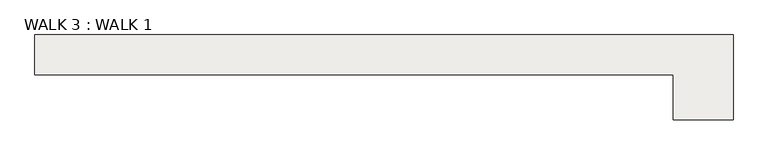
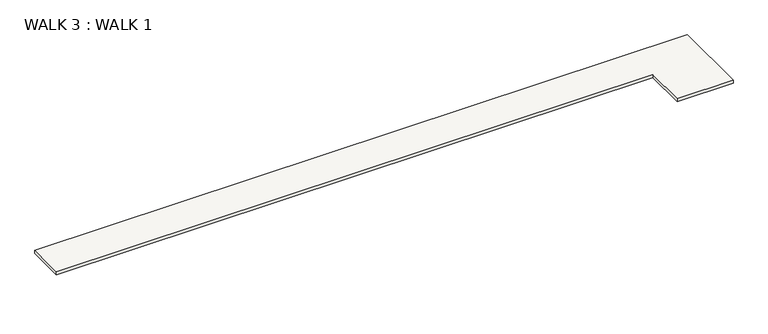
"""IFC4 building model written with IfcOpenShell, lengths in millimetres: slab geometry, WALK 3 : WALK 1."""

from ifc_helpers import new_model, si_unit, frame, origin, place, context, project, spatial, polyline, outline, extrude, source, transform, mapped, element, save


def walk_3_walk_1_14dd6b5e(model_context):
    return source(origin(), model_context, "Body", "SweptSolid", [
        extrude(outline(polyline([(341.9325037, -23029.3506192), (-9411.6674963, -23029.3506192), (-9411.6674963, -22419.7506192), (1256.3325037, -22419.7506192), (1256.3325037, -23715.1506192), (341.9325037, -23715.1506192), (341.9325037, -23029.3506192)])), frame((0.0, 0.0, 3810.0), z_axis=(0.0, 0.0, 1.0), x_axis=(1.0, 0.0, 0.0)), (0.0, 0.0, 1.0), 50.8),
    ])


if __name__ == "__main__":
    model = new_model("IFC4")
    model_context = context("Model", 3, world=origin())
    ifc_project = project(units=[si_unit("LENGTHUNIT", "METRE", prefix="MILLI")], contexts=[model_context])
    site = spatial("IfcSite", under=ifc_project)
    building = spatial("IfcBuilding", under=site)
    placement = place(None, origin())
    walk_3_walk_1_shape = walk_3_walk_1_14dd6b5e(model_context)
    element("IfcSlab", 1, ObjectType="WALK 3 : WALK 1", at=placement, inside=building, context=model_context, shape_type="MappedRepresentation", body=[
        mapped(walk_3_walk_1_shape, transform((0.0, 0.0, 0.0), x_axis=(1.0, 0.0, 0.0), y_axis=(0.0, 1.0, 0.0), z_axis=(0.0, 0.0, 1.0))),
    ])
    save(model, "model.ifc")
